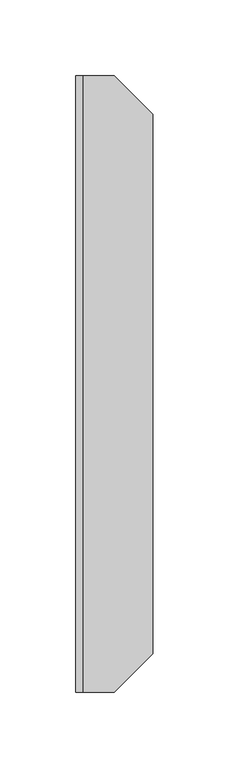
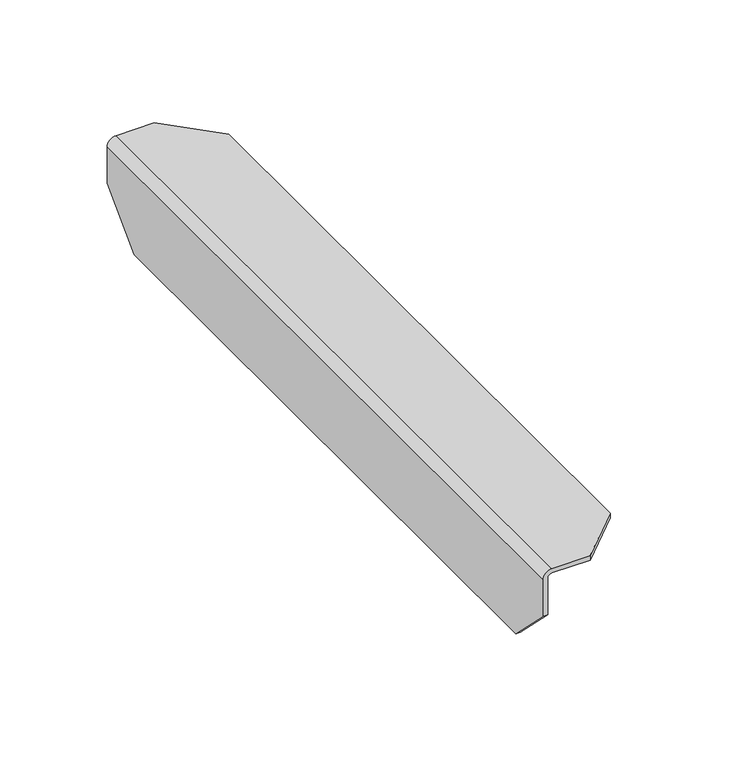
"""IFC4 building model written with IfcOpenShell, lengths in millimetres: furniture geometry."""

from ifc_helpers import new_model, si_unit, frame, origin, place, context, project, spatial, polyline, circle_curve, source, transform, mapped, element, save
from ifc_brep_helpers import plane_surface, cylinder_surface, revolved_surface, advanced_brep


def furniture_9828dfa8(model_context):
    return source(origin(), model_context, "Body", "AdvancedBrep", [
        advanced_brep(
        [(5.3847828, -654.2278, 711.1999758), (0.635, -654.2278, 706.450193), (0.635, -654.2278, 685.8000008), (3.0988, -654.2278, 685.8000008), (3.0988, -654.2278, 706.450193), (5.3847797, -654.2278, 708.7361727), (26.0360145, -654.2278, 708.7361727), (26.0360145, -654.2278, 711.1999758), (5.3847797, -247.8278, 708.7361727), (3.0988, -247.8278, 706.450193), (3.0988, -247.8278, 685.7999871), (0.635, -247.8278, 685.7999871), (0.635, -247.8278, 706.450193), (5.3847828, -247.8278, 711.1999758), (26.0360281, -247.8278, 711.1999758), (26.0360281, -247.8278, 708.7361727), (51.435, -628.8288372, 708.7361727), (51.435, -273.2267809, 708.7361727), (51.435, -273.2267809, 711.1999758), (51.435, -628.8288372, 711.1999758), (0.635, -273.2278508, 660.3999727), (0.635, -628.8277719, 660.3999727), (3.0988, -273.2278508, 660.3999727), (3.0988, -628.8277719, 660.3999727)],
        [
            (0, 1, circle_curve(frame((5.3847828, -654.2278, 706.450193), z_axis=(0.0, -1.0, 0.0), x_axis=(1.0, 0.0, 0.0)), 4.7497828)),
            (1, 2),
            (2, 3),
            (3, 4),
            (4, 5, circle_curve(frame((5.3847797, -654.2278, 706.450193), z_axis=(0.0, 1.0, 0.0), x_axis=(1.0, 0.0, 0.0)), 2.2859797)),
            (5, 6),
            (6, 7),
            (7, 0),
            (8, 9, circle_curve(frame((5.3847797, -247.8278, 706.450193), z_axis=(0.0, -1.0, 0.0), x_axis=(1.0, 0.0, 0.0)), 2.2859797)),
            (9, 10),
            (10, 11),
            (11, 12),
            (12, 13, circle_curve(frame((5.3847828, -247.8278, 706.450193), z_axis=(0.0, 1.0, 0.0), x_axis=(1.0, 0.0, 0.0)), 4.7497828)),
            (13, 14),
            (14, 15),
            (15, 8),
            (16, 17),
            (17, 18),
            (18, 19),
            (19, 16),
            (13, 0),
            (7, 19),
            (18, 14),
            (12, 1),
            (11, 20),
            (20, 21),
            (21, 2),
            (20, 22),
            (22, 23),
            (23, 21),
            (9, 4),
            (3, 23),
            (22, 10),
            (8, 5),
            (15, 17),
            (16, 6),
        ],
        [
            plane_surface(frame((51.435, -654.2278, 2494.2743093), z_axis=(0.0, -1.0, 0.0), x_axis=(0.0, 0.0, 1.0))),
            plane_surface(frame((51.435, -247.8278, 2494.2743093), z_axis=(0.0, 1.0, 0.0), x_axis=(0.0, 0.0, -1.0))),
            plane_surface(frame((51.435, -654.2278, 708.7361727), z_axis=(1.0, 0.0, 0.0), x_axis=(0.0, 1.0, 0.0))),
            plane_surface(frame((51.435, -654.2278, 711.1999758), z_axis=(0.0, 0.0, 1.0), x_axis=(0.0, 1.0, 0.0))),
            cylinder_surface(frame((5.3847828, -247.8278, 706.450193), z_axis=(0.0, -1.0, 0.0), x_axis=(1.0, 0.0, 0.0)), 4.7497828),
            plane_surface(frame((0.635, -654.2278, 706.450193), z_axis=(-1.0, 0.0, 0.0), x_axis=(0.0, 1.0, 0.0))),
            plane_surface(frame((0.635, -654.2278, 660.3999727), z_axis=(0.0, 0.0, -1.0), x_axis=(0.0, 1.0, 0.0))),
            plane_surface(frame((3.0988, -654.2278, 660.3999727), z_axis=(1.0, 0.0, 0.0), x_axis=(0.0, 1.0, 0.0))),
            revolved_surface(polyline([(7.6707594, -247.8278, 706.450193), (7.6707594, -654.2278, 706.450193)]), (5.3847797, -247.8278, 706.450193), (0.0, 1.0, 0.0)),
            plane_surface(frame((5.3847797, -654.2278, 708.7361727), z_axis=(0.0, 0.0, -1.0), x_axis=(0.0, 1.0, 0.0))),
            plane_surface(frame((26.0360281, -247.8278, 783.0818623), z_axis=(0.7071069076270463, 0.7071066547460262, 0.0), x_axis=(0.0, 0.0, -1.0))),
            plane_surface(frame((51.435, -628.8288372, 783.0818623), z_axis=(0.707106465084953, -0.7071070972880009, 0.0), x_axis=(0.0, 0.0, -1.0))),
            plane_surface(frame((304.8, -247.8278, 685.7999871), z_axis=(0.0, 0.707106275424066, -0.7071072869486674), x_axis=(-1.0, 0.0, 0.0))),
            plane_surface(frame((304.8, -628.8277719, 660.3999727), z_axis=(0.0, -0.7071067811865476, -0.7071067811865476), x_axis=(-1.0, 0.0, 0.0))),
        ],
        [
            (0, [[1, 2, 3, 4, 5, 6, 7, 8]]),
            (1, [[9, 10, 11, 12, 13, 14, 15, 16]]),
            (2, [[17, 18, 19, 20]]),
            (3, [[21, -8, 22, -19, 23, -14]]),
            (4, [[-1, -21, -13, 24]]),
            (5, [[-24, -12, 25, 26, 27, -2]]),
            (6, [[-26, 28, 29, 30]]),
            (7, [[31, -4, 32, -29, 33, -10]]),
            (8, [[-5, -31, -9, 34]]),
            (9, [[-34, -16, 35, -17, 36, -6]]),
            (10, [[-15, -23, -18, -35]]),
            (11, [[-7, -36, -20, -22]]),
            (12, [[-11, -33, -28, -25]]),
            (13, [[-3, -27, -30, -32]]),
        ],
    ),
    ])


if __name__ == "__main__":
    model = new_model("IFC4")
    model_context = context("Model", 3, world=origin())
    ifc_project = project(units=[si_unit("LENGTHUNIT", "METRE", prefix="MILLI")], contexts=[model_context])
    site = spatial("IfcSite", under=ifc_project)
    building = spatial("IfcBuilding", under=site)
    placement = place(None, origin())
    furniture_shape = furniture_9828dfa8(model_context)
    element("IfcFurniture", 1, at=placement, inside=building, context=model_context, shape_type="MappedRepresentation", body=[
        mapped(furniture_shape, transform((0.0, 0.0, 0.0), x_axis=(1.0, 0.0, 0.0), y_axis=(0.0, 1.0, 0.0), z_axis=(0.0, 0.0, 1.0))),
    ])
    save(model, "model.ifc")
